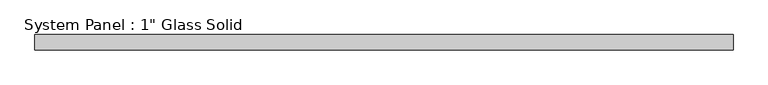
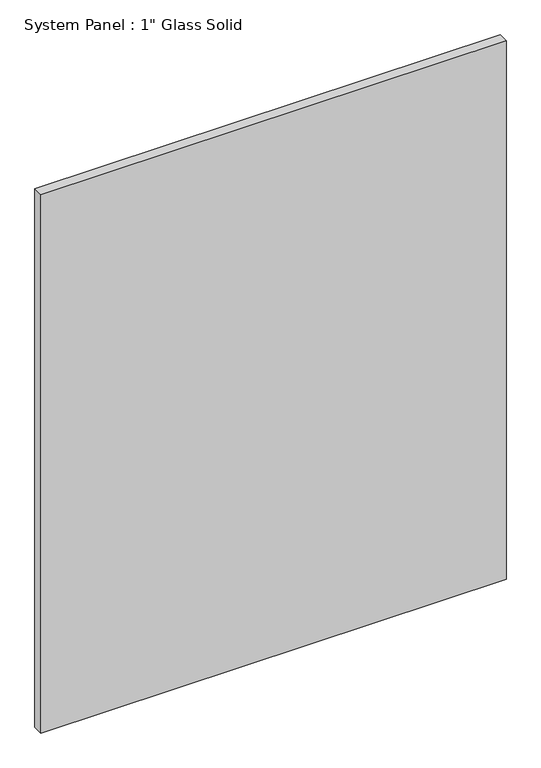
"""IFC4 building model written with IfcOpenShell, lengths in millimetres: plate geometry."""

from ifc_helpers import new_model, si_unit, origin, origin_with_axes, place, context, project, spatial, polyline, outline, extrude, source, transform, mapped, element, save


def plate_c60d8af6(model_context):
    return source(origin(), model_context, "Body", "SweptSolid", [
        extrude(outline(polyline([(577.8508852, -12.7), (-577.8508852, -12.7), (-577.8508852, 12.7), (577.8508852, 12.7), (577.8508852, -12.7)])), origin_with_axes(), (0.0, 0.0, 1.0), 1413.6241382),
    ])


if __name__ == "__main__":
    model = new_model("IFC4")
    model_context = context("Model", 3, world=origin())
    ifc_project = project(units=[si_unit("LENGTHUNIT", "METRE", prefix="MILLI")], contexts=[model_context])
    site = spatial("IfcSite", under=ifc_project)
    building = spatial("IfcBuilding", under=site)
    placement = place(None, origin())
    plate_shape = plate_c60d8af6(model_context)
    element("IfcPlate", 1, ObjectType="System Panel : 1\" Glass Solid", at=placement, inside=building, context=model_context, shape_type="MappedRepresentation", body=[
        mapped(plate_shape, transform((0.0, 0.0, 0.0), x_axis=(1.0, 0.0, 0.0), y_axis=(0.0, 1.0, 0.0), z_axis=(0.0, 0.0, 1.0))),
    ])
    save(model, "model.ifc")
